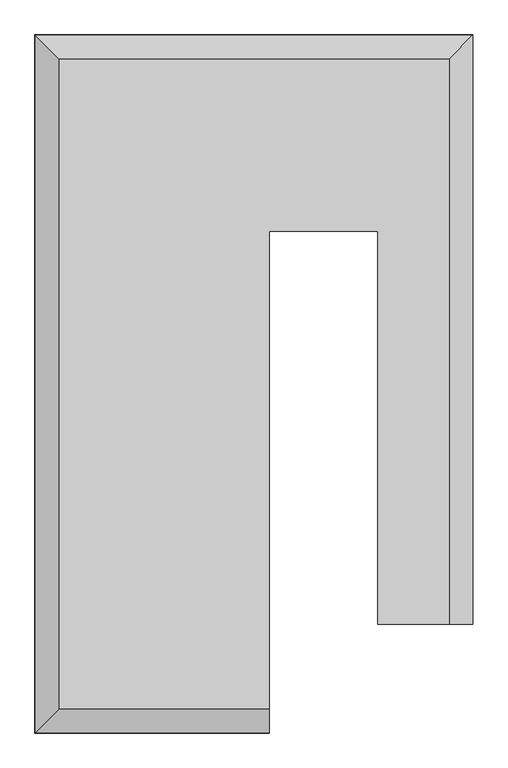
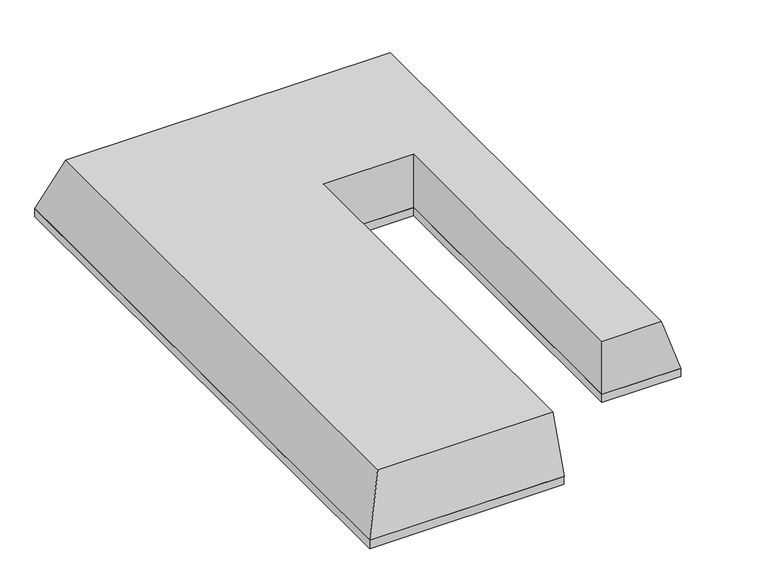
"""IFC4 building model written with IfcOpenShell, lengths in millimetres: geographic element geometry."""

import ifcopenshell
import ifcopenshell.guid

model = None  # the IFC model being written
_history = None  # IfcOwnerHistory: only IFC2X3 demands one
_inside = {}  # id of a spatial element -> (the spatial element, [elements in it])
_under = {}  # id of a project, library or spatial element -> (it, [spatial elements below it])
_declared = {}  # id of a project -> (the project, [libraries it declares])
_typed = {}  # id of a type object -> (the type object, [elements of that type])
_made_of = {}  # id of a material, layer set ... -> (it, [elements and type objects made of it])


def new_model(schema):
    """Start an empty IFC model of exactly this schema.

    Asked for "IFC4X3", IfcOpenShell would pick the latest addendum, in which some entities
    have other attributes; the version numbers below select the first issue.
    IFC2X3 requires an IfcOwnerHistory on every rooted entity: one is made here for all.
    """
    global model, _history
    if schema == "IFC4X3":
        model = ifcopenshell.file(schema_version=(4, 3, 0, 0))
    else:
        model = ifcopenshell.file(schema=schema)
    _inside.clear()
    _under.clear()
    _declared.clear()
    _typed.clear()
    _made_of.clear()
    _history = None
    if model.schema == "IFC2X3":
        org = make("IfcOrganization", Name="unknown")
        user = make(
            "IfcPersonAndOrganization",
            ThePerson=make("IfcPerson", FamilyName="unknown"),
            TheOrganization=org,
        )
        app = make(
            "IfcApplication",
            ApplicationDeveloper=org,
            Version="unknown",
            ApplicationFullName="unknown",
            ApplicationIdentifier="unknown",
        )
        _history = make(
            "IfcOwnerHistory",
            OwningUser=user,
            OwningApplication=app,
            ChangeAction="ADDED",
            CreationDate=0,
        )
    return model


def make(cls, **values):
    """One entity of the class cls with the attributes given. An attribute that is None is left unset."""
    return model.create_entity(
        cls, **{name: value for name, value in values.items() if value is not None}
    )


def rooted(cls, **values):
    """An entity with a GlobalId (a new one), such as an element, a storey or a relation."""
    return make(cls, GlobalId=ifcopenshell.guid.new(), OwnerHistory=_history, **values)


def si_unit(unit_type, name, prefix=None):
    """IfcSIUnit, for example si_unit("LENGTHUNIT", "METRE", prefix="MILLI")."""
    return make("IfcSIUnit", UnitType=unit_type, Prefix=prefix, Name=name)


def assignment(units):
    """IfcUnitAssignment: the units of a project."""
    return None if units is None else make("IfcUnitAssignment", Units=units)


def point(xyz):
    """IfcCartesianPoint."""
    return None if xyz is None else make("IfcCartesianPoint", Coordinates=xyz)


def direction(xyz):
    """IfcDirection."""
    return None if xyz is None else make("IfcDirection", DirectionRatios=xyz)


def frame(location, z_axis=None, x_axis=None):
    """IfcAxis2Placement3D, a coordinate frame: its origin and axes. An axis left out is left unset."""
    return make(
        "IfcAxis2Placement3D",
        Location=point(location),
        Axis=direction(z_axis),
        RefDirection=direction(x_axis),
    )


def origin():
    """The frame at (0, 0, 0) with its axes left unset."""
    return frame((0.0, 0.0, 0.0))


def place(relative_to, where):
    """IfcLocalPlacement: puts the frame where relative to a parent placement (None: the world)."""
    return make(
        "IfcLocalPlacement", PlacementRelTo=relative_to, RelativePlacement=where
    )


def context(
    kind, dimensions, precision=None, world=None, true_north=None, identifier=None
):
    """IfcGeometricRepresentationContext, for example the 3D "Model" context."""
    return make(
        "IfcGeometricRepresentationContext",
        ContextIdentifier=identifier,
        ContextType=kind,
        CoordinateSpaceDimension=dimensions,
        Precision=precision,
        WorldCoordinateSystem=world,
        TrueNorth=true_north,
    )


def project(units=None, contexts=None):
    """IfcProject with its units and contexts."""
    return rooted(
        "IfcProject",
        Name="project",
        RepresentationContexts=contexts,
        UnitsInContext=assignment(units),
    )


def spatial(cls, under=None, at=None, **own):
    """A site, building, storey or space (cls), placed at a placement, below another one or the project."""
    s = rooted(cls, ObjectPlacement=at, **own)
    if under is not None:
        _under.setdefault(under.id(), (under, []))[1].append(s)
    return s


def polyline(points):
    """IfcPolyline through the points."""
    return make("IfcPolyline", Points=[point(p) for p in points])


def outline(outer, holes=None, kind="AREA"):
    """IfcArbitraryClosedProfileDef: a profile drawn as a closed curve; with holes, ...WithVoids."""
    if holes is None:
        return make("IfcArbitraryClosedProfileDef", ProfileType=kind, OuterCurve=outer)
    return make(
        "IfcArbitraryProfileDefWithVoids",
        ProfileType=kind,
        OuterCurve=outer,
        InnerCurves=holes,
    )


def extrude(swept, where, along, depth):
    """IfcExtrudedAreaSolid: the profile swept, set in the frame where, extruded along a direction by depth."""
    return make(
        "IfcExtrudedAreaSolid",
        SweptArea=swept,
        Position=where,
        ExtrudedDirection=direction(along),
        Depth=depth,
    )


def faces_of(points, faces, orient=None, outer=None):
    """IfcFace entities. A face is a list of loops; a loop is a list of indices into points, from 0.

    orient and outer hold one flag for each loop. By default every Orientation is true, the
    first loop of a face is its IfcFaceOuterBound and the others are IfcFaceBound.
    """
    made = []
    for i, loops in enumerate(faces):
        bounds = []
        for j, loop in enumerate(loops):
            is_outer = j == 0 if outer is None else outer[i][j]
            bounds.append(
                make(
                    "IfcFaceOuterBound" if is_outer else "IfcFaceBound",
                    Bound=make("IfcPolyLoop", Polygon=[points[k] for k in loop]),
                    Orientation=True if orient is None else orient[i][j],
                )
            )
        made.append(make("IfcFace", Bounds=bounds))
    return made


def faceted_brep(points, faces, orient=None, outer=None, voids=None):
    """IfcFacetedBrep: a solid bounded by flat faces; with voids (closed shells), ...WithVoids."""
    shared = [point(p) for p in points]
    hull = make("IfcClosedShell", CfsFaces=faces_of(shared, faces, orient, outer))
    if voids is None:
        return make("IfcFacetedBrep", Outer=hull)
    return make(
        "IfcFacetedBrepWithVoids",
        Outer=hull,
        Voids=[
            make(cls, CfsFaces=faces_of(shared, fs, o, b)) for cls, fs, o, b in voids
        ],
    )


def shape(context_of_items, identifier, shape_type, items):
    """IfcShapeRepresentation: the items that make up one representation, for example the "Body"."""
    return make(
        "IfcShapeRepresentation",
        ContextOfItems=context_of_items,
        RepresentationIdentifier=identifier,
        RepresentationType=shape_type,
        Items=items,
    )


def source(mapping_origin, context_of_items, identifier, shape_type, items):
    """IfcRepresentationMap: a shape defined once, which mapped items show again and again."""
    return make(
        "IfcRepresentationMap",
        MappingOrigin=mapping_origin,
        MappedRepresentation=shape(context_of_items, identifier, shape_type, items),
    )


def transform(
    local_origin,
    x_axis=None,
    y_axis=None,
    z_axis=None,
    scale=None,
    scale2=None,
    scale3=None,
    uniform=True,
):
    """IfcCartesianTransformationOperator3D, or its non-uniform kind. x_axis, y_axis, z_axis: its Axis1, 2, 3."""
    if uniform:
        return make(
            "IfcCartesianTransformationOperator3D",
            Axis1=direction(x_axis),
            Axis2=direction(y_axis),
            LocalOrigin=point(local_origin),
            Scale=scale,
            Axis3=direction(z_axis),
        )
    return make(
        "IfcCartesianTransformationOperator3DnonUniform",
        Axis1=direction(x_axis),
        Axis2=direction(y_axis),
        LocalOrigin=point(local_origin),
        Scale=scale,
        Axis3=direction(z_axis),
        Scale2=scale2,
        Scale3=scale3,
    )


def mapped(mapping_source, mapping_target):
    """IfcMappedItem: shows the shape of a source again, moved by a transform."""
    return make(
        "IfcMappedItem", MappingSource=mapping_source, MappingTarget=mapping_target
    )


def made_of(thing, what):
    """Note that an element or type object is made of a material, layer set ...; save() writes the relation."""
    if what is not None:
        _made_of.setdefault(what.id(), (what, []))[1].append(thing)
    return thing


def element(
    cls,
    number,
    at=None,
    inside=None,
    cuts=None,
    type_object=None,
    material=None,
    context=None,
    identifier="Body",
    shape_type=None,
    held_by="IfcProductDefinitionShape",
    body=None,
    shapes=None,
    **own,
):
    """One element of the class cls, such as IfcWall. Its Tag is "e" and its number.

    at: its placement. inside: the storey or other place that contains it. cuts: it is an
    opening in that element (IfcRelVoidsElement). A single representation is given by context,
    identifier, shape_type and body (its items); several are given by shapes. held_by: the class
    of the entity that holds the representations. save() writes the other relations.
    """
    e = rooted(cls, Tag="e%d" % number, ObjectPlacement=at, **own)
    if body is not None:
        shapes = [shape(context, identifier, shape_type, body)]
    if shapes is not None:
        e.Representation = make(held_by, Representations=shapes)
    if inside is not None:
        _inside.setdefault(inside.id(), (inside, []))[1].append(e)
    if cuts is not None:
        rooted(
            "IfcRelVoidsElement", RelatingBuildingElement=cuts, RelatedOpeningElement=e
        )
    if type_object is not None:
        _typed.setdefault(type_object.id(), (type_object, []))[1].append(e)
    return made_of(e, material)


def aggregate(whole, parts):
    """IfcRelAggregates: a whole, such as a stair, and the parts it consists of."""
    return rooted("IfcRelAggregates", RelatingObject=whole, RelatedObjects=parts)


def save(model, path):
    """Write the relations noted so far, then the file.

    IfcRelAggregates (storeys below a building ...), IfcRelContainedInSpatialStructure (elements
    in a storey), IfcRelDefinesByType, IfcRelAssociatesMaterial and IfcRelDeclares: one each for
    every whole, place, type object, material and project.
    """
    for whole, parts in _under.values():
        aggregate(whole, parts)
    for where, things in _inside.values():
        rooted(
            "IfcRelContainedInSpatialStructure",
            RelatedElements=things,
            RelatingStructure=where,
        )
    for kind, things in _typed.values():
        rooted("IfcRelDefinesByType", RelatedObjects=things, RelatingType=kind)
    for what, things in _made_of.values():
        rooted("IfcRelAssociatesMaterial", RelatedObjects=things, RelatingMaterial=what)
    for by, libraries in _declared.values():
        rooted("IfcRelDeclares", RelatingContext=by, RelatedDefinitions=libraries)
    model.write(path)


def geographic_element_b2bed9f1(model_context):
    return source(origin(), model_context, "Body", "SolidModel", [
        extrude(outline(polyline([(-3213.7847731, -2576.3408584), (-3213.7847731, 4119.5502438), (986.2152269, 4119.5502438), (986.2152269, -1530.4497562), (74.1442408, -1530.4497562), (74.1442408, 2238.5265944), (-965.8557592, 2238.5265944), (-965.8557592, -2236.4733986), (-970.422219, -2236.4733986), (-970.422219, -2576.3408584), (-3213.7847731, -2576.3408584)])), frame((0.0, 0.0, -1350.0), z_axis=(0.0, 0.0, 1.0), x_axis=(1.0, 0.0, 0.0)), (0.0, 0.0, 1.0), 100.0),
        faceted_brep([(74.1442408, -1530.4497562, -600.0), (759.7088273, -1530.4497562, -600.0), (759.7088273, 3893.0438442, -600.0), (-2987.2783735, 3893.0438442, -600.0), (-2987.2783735, -2349.8344588, -600.0), (-965.8557592, -2349.8344588, -600.0), (-965.8557592, 2238.5265944, -600.0), (74.1442408, 2238.5265944, -600.0), (74.1442408, -1530.4497562, -1250.0), (74.1442408, 2238.5265944, -1250.0), (-965.8557592, 2238.5265944, -1250.0), (-965.8557592, -2576.3408584, -1250.0), (-3213.7847731, -2576.3408584, -1250.0), (-3213.7847731, 4119.5502438, -1250.0), (986.2152269, 4119.5502438, -1250.0), (986.2152269, -1530.4497562, -1250.0)], [[[0, 1, 2, 3, 4, 5, 6, 7]], [[8, 9, 10, 11, 12, 13, 14, 15]], [[8, 15, 1, 0]], [[15, 14, 2, 1]], [[14, 13, 3, 2]], [[13, 12, 4, 3]], [[12, 11, 5, 4]], [[11, 10, 6, 5]], [[10, 9, 7, 6]], [[9, 8, 0, 7]]]),
    ])


if __name__ == "__main__":
    model = new_model("IFC4")
    model_context = context("Model", 3, world=origin())
    ifc_project = project(units=[si_unit("LENGTHUNIT", "METRE", prefix="MILLI")], contexts=[model_context])
    site = spatial("IfcSite", under=ifc_project)
    building = spatial("IfcBuilding", under=site)
    placement = place(None, origin())
    geographic_element_shape = geographic_element_b2bed9f1(model_context)
    element("IfcGeographicElement", 1, at=placement, inside=building, context=model_context, shape_type="MappedRepresentation", body=[
        mapped(geographic_element_shape, transform((0.0, 0.0, 0.0), x_axis=(1.0, 0.0, 0.0), y_axis=(0.0, 1.0, 0.0), z_axis=(0.0, 0.0, 1.0))),
    ])
    save(model, "model.ifc")
